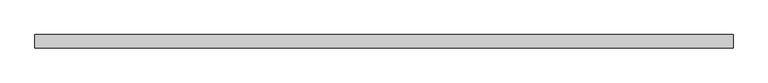
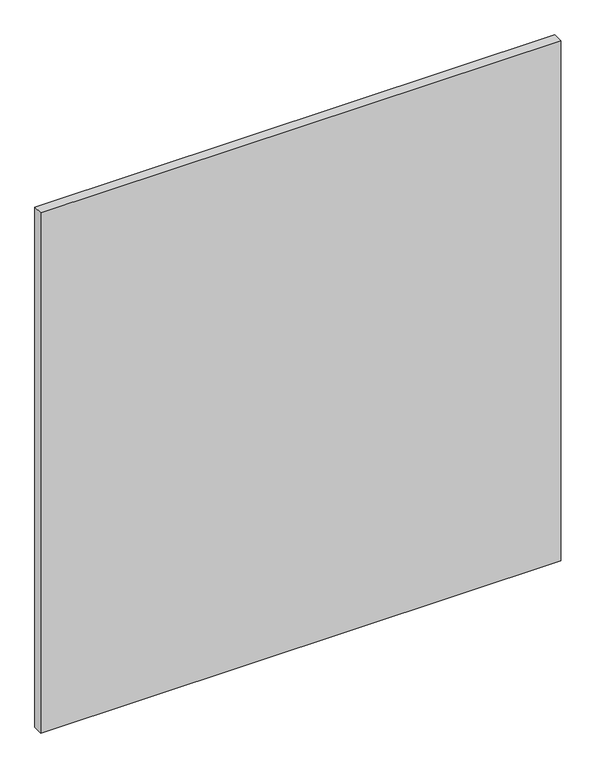
"""IFC4 building model written with IfcOpenShell, lengths in millimetres: plate geometry."""

from ifc_helpers import new_model, si_unit, origin, origin_with_axes, place, context, project, spatial, polyline, outline, extrude, source, transform, mapped, element, save


def plate_29689272(model_context):
    return source(origin(), model_context, "Body", "SweptSolid", [
        extrude(outline(polyline([(832.6350738, -15.875), (-832.6350738, -15.875), (-832.6350738, 15.875), (832.6350738, 15.875), (832.6350738, -15.875)])), origin_with_axes(), (0.0, 0.0, 1.0), 1761.2320313),
    ])


if __name__ == "__main__":
    model = new_model("IFC4")
    model_context = context("Model", 3, world=origin())
    ifc_project = project(units=[si_unit("LENGTHUNIT", "METRE", prefix="MILLI")], contexts=[model_context])
    site = spatial("IfcSite", under=ifc_project)
    building = spatial("IfcBuilding", under=site)
    placement = place(None, origin())
    plate_shape = plate_29689272(model_context)
    element("IfcPlate", 1, at=placement, inside=building, context=model_context, shape_type="MappedRepresentation", body=[
        mapped(plate_shape, transform((0.0, 0.0, 0.0), x_axis=(1.0, 0.0, 0.0), y_axis=(0.0, 1.0, 0.0), z_axis=(0.0, 0.0, 1.0))),
    ])
    save(model, "model.ifc")
